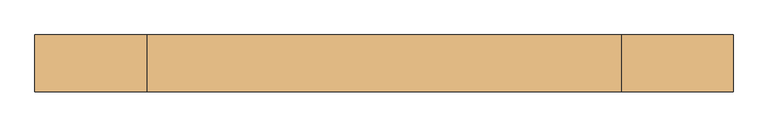
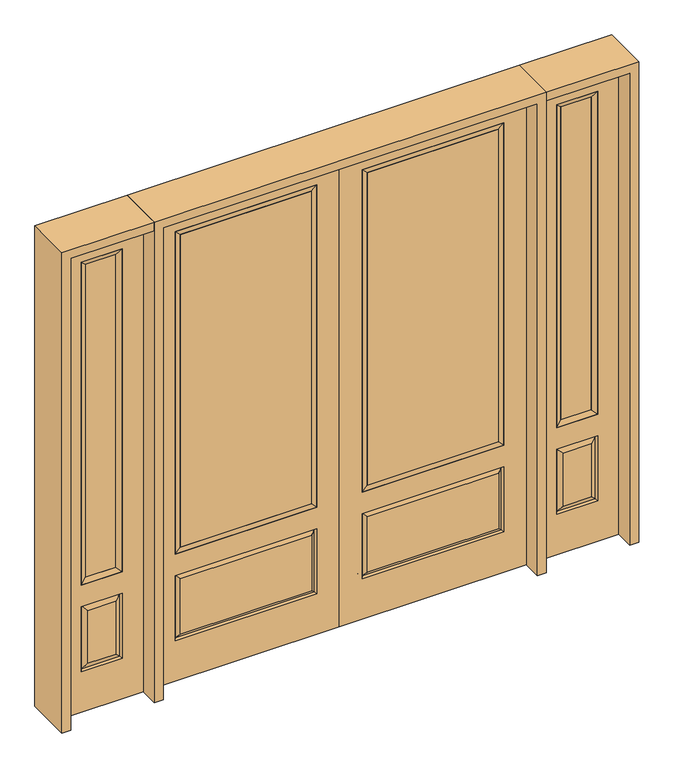
"""IFC4 building model written with IfcOpenShell, lengths in millimetres: door geometry."""

from ifc_helpers import new_model, si_unit, frame, origin, place, context, project, spatial, polyline, outline, extrude, faceted_brep, source, transform, mapped, element, save


def door_46538cef(model_context):
    return source(origin(), model_context, "Body", "SolidModel", [
        extrude(outline(polyline([(136.525, -20.32), (136.525, 5.08), (777.875, 5.08), (777.875, -20.32), (136.525, -20.32)])), frame((0.0, 0.0, 682.498), z_axis=(0.0, 0.0, 1.0), x_axis=(1.0, 0.0, 0.0)), (0.0, 0.0, 1.0), 1616.202),
        faceted_brep([(796.1661499, -12.7912373, 216.6588501), (778.66875, -22.225, 234.15625), (135.73125, -22.225, 234.15625), (118.2338501, -12.7912373, 216.6588501), (111.125, -22.225, 209.55), (803.275, -22.225, 209.55), (803.275, -22.225, 546.1), (796.1661499, -12.7912373, 538.9911499), (0.0, -22.225, 2438.4), (0.0, -22.225, 0.0), (914.4, -22.225, 0.0), (914.4, -22.225, 2438.4), (111.125, -22.225, 546.1), (111.125, -22.225, 2324.1), (803.275, -22.225, 2324.1), (803.275, -22.225, 657.098), (111.125, -22.225, 657.098), (778.66875, -22.225, 521.49375), (135.73125, -22.225, 521.49375), (118.2338501, -12.7912373, 538.9911499), (914.4, 22.225, 0.0), (914.4, 22.225, 2438.4), (0.0, 22.225, 0.0), (0.0, 22.225, 2438.4), (111.125, 22.225, 657.098), (111.125, 22.225, 2324.1), (803.275, 22.225, 657.098), (803.275, 22.225, 2324.1), (135.73125, 22.225, 234.15625), (135.73125, 22.225, 521.49375), (778.66875, 22.225, 521.49375), (778.66875, 22.225, 234.15625), (803.275, 22.225, 209.55), (803.275, 22.225, 546.1), (111.125, 22.225, 546.1), (111.125, 22.225, 209.55), (118.2338501, 12.7912373, 216.6588501), (796.1661499, 12.7912373, 216.6588501), (118.2338501, 12.7912373, 538.9911499), (796.1661499, 12.7912373, 538.9911499)], [[[0, 1, 2, 3]], [[3, 4, 5, 0]], [[5, 6, 7, 0]], [[8, 9, 10, 11], [4, 12, 6, 5], [13, 14, 15, 16]], [[1, 17, 18, 2]], [[3, 19, 12, 4]], [[2, 18, 19, 3]], [[0, 7, 17, 1]], [[6, 12, 19, 7]], [[7, 19, 18, 17]], [[10, 20, 21, 11]], [[9, 22, 20, 10]], [[8, 23, 22, 9]], [[16, 24, 25, 13]], [[15, 26, 24, 16]], [[14, 27, 26, 15]], [[28, 29, 30, 31]], [[23, 21, 20, 22], [25, 24, 26, 27], [32, 33, 34, 35]], [[32, 35, 36, 37]], [[35, 34, 38, 36]], [[39, 38, 34, 33]], [[37, 39, 33, 32]], [[36, 28, 31, 37]], [[31, 30, 39, 37]], [[30, 29, 38, 39]], [[36, 38, 29, 28]], [[11, 21, 23, 8]], [[13, 25, 27, 14]]]),
        faceted_brep([(803.275, -22.225, 2324.1), (803.275, -22.225, 657.098), (803.275, 22.225, 657.098), (803.275, 22.225, 2324.1), (111.125, -22.225, 657.098), (111.125, 22.225, 657.098), (136.525, 5.08, 682.498), (777.875, 5.08, 682.498), (111.125, -22.225, 2324.1), (111.125, 22.225, 2324.1), (777.875, -20.32, 682.498), (136.525, -20.32, 682.498), (777.875, -20.32, 2298.7), (136.525, -20.32, 2298.7), (777.875, 5.08, 2298.7), (136.525, 5.08, 2298.7)], [[[0, 1, 2, 3]], [[1, 4, 5, 2]], [[2, 5, 6, 7]], [[4, 8, 9, 5]], [[10, 11, 4, 1]], [[12, 10, 1, 0]], [[11, 13, 8, 4]], [[7, 6, 11, 10]], [[14, 7, 10, 12]], [[6, 15, 13, 11]], [[3, 2, 7, 14]], [[5, 9, 15, 6]], [[8, 0, 3, 9]], [[13, 12, 0, 8]], [[15, 14, 12, 13]], [[9, 3, 14, 15]]]),
        faceted_brep([(958.85, -22.225, 0.0), (1365.25, -22.225, 0.0), (1365.25, -22.225, 2438.4), (958.85, -22.225, 2438.4), (1262.38, -22.225, 2325.624), (1262.38, -22.225, 657.098), (1061.72, -22.225, 657.098), (1061.72, -22.225, 2325.624), (1262.38, -22.225, 209.55), (1061.72, -22.225, 209.55), (1061.72, -22.225, 546.1), (1262.38, -22.225, 546.1), (1093.4351001, -22.225, 241.2651001), (1230.6648999, -22.225, 241.2651001), (1230.6648999, -22.225, 514.3848999), (1093.4351001, -22.225, 514.3848999), (958.85, 22.225, 0.0), (958.85, 22.225, 2438.4), (1365.25, 22.225, 2438.4), (1365.25, 22.225, 0.0), (1262.38, 22.225, 2325.624), (1061.72, 22.225, 2325.624), (1061.72, 22.225, 657.098), (1262.38, 22.225, 657.098), (1061.72, 22.225, 209.55), (1262.38, 22.225, 209.55), (1262.38, 22.225, 546.1), (1061.72, 22.225, 546.1), (1230.6648999, 22.225, 241.2651001), (1093.4351001, 22.225, 241.2651001), (1093.4351001, 22.225, 514.3848999), (1230.6648999, 22.225, 514.3848999), (1255.2711499, 12.7912373, 216.6588501), (1068.8288501, 12.7912373, 216.6588501), (1068.8288501, 12.7912373, 538.9911499), (1255.2711499, 12.7912373, 538.9911499), (1068.8288501, -12.7912373, 216.6588501), (1255.2711499, -12.7912373, 216.6588501), (1068.8288501, -12.7912373, 538.9911499), (1255.2711499, -12.7912373, 538.9911499)], [[[0, 1, 2, 3], [4, 5, 6, 7], [8, 9, 10, 11]], [[12, 13, 14, 15]], [[16, 17, 18, 19], [20, 21, 22, 23], [24, 25, 26, 27]], [[28, 29, 30, 31]], [[1, 0, 16, 19]], [[2, 1, 19, 18]], [[3, 2, 18, 17]], [[0, 3, 17, 16]], [[5, 4, 20, 23]], [[6, 5, 23, 22]], [[7, 6, 22, 21]], [[4, 7, 21, 20]], [[32, 33, 29, 28]], [[33, 32, 25, 24]], [[29, 33, 34, 30]], [[33, 24, 27, 34]], [[30, 34, 35, 31]], [[34, 27, 26, 35]], [[32, 28, 31, 35]], [[25, 32, 35, 26]], [[12, 36, 37, 13]], [[37, 36, 9, 8]], [[36, 12, 15, 38]], [[9, 36, 38, 10]], [[38, 15, 14, 39]], [[10, 38, 39, 11]], [[13, 37, 39, 14]], [[37, 8, 11, 39]]]),
        faceted_brep([(1061.72, 22.225, 2325.624), (1061.72, -22.225, 2325.624), (1262.38, -22.225, 2325.624), (1262.38, 22.225, 2325.624), (1087.12, 12.7, 2300.224), (1236.98, 12.7, 2300.224), (1087.12, -12.7, 2300.224), (1236.98, -12.7, 2300.224), (1262.38, -22.225, 657.098), (1262.38, 22.225, 657.098), (1236.98, 12.7, 682.498), (1236.98, -12.7, 682.498), (1061.72, -22.225, 657.098), (1061.72, 22.225, 657.098), (1087.12, 12.7, 682.498), (1087.12, -12.7, 682.498)], [[[0, 1, 2, 3]], [[4, 0, 3, 5]], [[6, 4, 5, 7]], [[1, 6, 7, 2]], [[3, 2, 8, 9]], [[5, 3, 9, 10]], [[7, 5, 10, 11]], [[2, 7, 11, 8]], [[9, 8, 12, 13]], [[10, 9, 13, 14]], [[11, 10, 14, 15]], [[8, 11, 15, 12]], [[13, 12, 1, 0]], [[14, 13, 0, 4]], [[15, 14, 4, 6]], [[12, 15, 6, 1]]]),
        extrude(outline(polyline([(1236.98, -12.7), (1087.12, -12.7), (1087.12, 12.7), (1236.98, 12.7), (1236.98, -12.7)])), frame((0.0, 0.0, 682.498), z_axis=(0.0, 0.0, 1.0), x_axis=(1.0, 0.0, 0.0)), (0.0, 0.0, 1.0), 1617.726),
        faceted_brep([(-1365.25, -22.225, 0.0), (-958.85, -22.225, 0.0), (-958.85, -22.225, 2438.4), (-1365.25, -22.225, 2438.4), (-1061.72, -22.225, 2325.624), (-1061.72, -22.225, 657.098), (-1262.38, -22.225, 657.098), (-1262.38, -22.225, 2325.624), (-1061.72, -22.225, 209.55), (-1262.38, -22.225, 209.55), (-1262.38, -22.225, 546.1), (-1061.72, -22.225, 546.1), (-1230.6648999, -22.225, 241.2651001), (-1093.4351001, -22.225, 241.2651001), (-1093.4351001, -22.225, 514.3848999), (-1230.6648999, -22.225, 514.3848999), (-1365.25, 22.225, 0.0), (-1365.25, 22.225, 2438.4), (-958.85, 22.225, 2438.4), (-958.85, 22.225, 0.0), (-1061.72, 22.225, 2325.624), (-1262.38, 22.225, 2325.624), (-1262.38, 22.225, 657.098), (-1061.72, 22.225, 657.098), (-1262.38, 22.225, 209.55), (-1061.72, 22.225, 209.55), (-1061.72, 22.225, 546.1), (-1262.38, 22.225, 546.1), (-1093.4351001, 22.225, 241.2651001), (-1230.6648999, 22.225, 241.2651001), (-1230.6648999, 22.225, 514.3848999), (-1093.4351001, 22.225, 514.3848999), (-1068.8288501, 12.7912373, 216.6588501), (-1255.2711499, 12.7912373, 216.6588501), (-1255.2711499, 12.7912373, 538.9911499), (-1068.8288501, 12.7912373, 538.9911499), (-1255.2711499, -12.7912373, 216.6588501), (-1068.8288501, -12.7912373, 216.6588501), (-1255.2711499, -12.7912373, 538.9911499), (-1068.8288501, -12.7912373, 538.9911499)], [[[0, 1, 2, 3], [4, 5, 6, 7], [8, 9, 10, 11]], [[12, 13, 14, 15]], [[16, 17, 18, 19], [20, 21, 22, 23], [24, 25, 26, 27]], [[28, 29, 30, 31]], [[1, 0, 16, 19]], [[2, 1, 19, 18]], [[3, 2, 18, 17]], [[0, 3, 17, 16]], [[5, 4, 20, 23]], [[6, 5, 23, 22]], [[7, 6, 22, 21]], [[4, 7, 21, 20]], [[32, 33, 29, 28]], [[33, 32, 25, 24]], [[29, 33, 34, 30]], [[33, 24, 27, 34]], [[30, 34, 35, 31]], [[34, 27, 26, 35]], [[32, 28, 31, 35]], [[25, 32, 35, 26]], [[12, 36, 37, 13]], [[37, 36, 9, 8]], [[36, 12, 15, 38]], [[9, 36, 38, 10]], [[38, 15, 14, 39]], [[10, 38, 39, 11]], [[13, 37, 39, 14]], [[37, 8, 11, 39]]]),
        faceted_brep([(-1262.38, 22.225, 2325.624), (-1262.38, -22.225, 2325.624), (-1061.72, -22.225, 2325.624), (-1061.72, 22.225, 2325.624), (-1236.98, 12.7, 2300.224), (-1087.12, 12.7, 2300.224), (-1236.98, -12.7, 2300.224), (-1087.12, -12.7, 2300.224), (-1061.72, -22.225, 657.098), (-1061.72, 22.225, 657.098), (-1087.12, 12.7, 682.498), (-1087.12, -12.7, 682.498), (-1262.38, -22.225, 657.098), (-1262.38, 22.225, 657.098), (-1236.98, 12.7, 682.498), (-1236.98, -12.7, 682.498)], [[[0, 1, 2, 3]], [[4, 0, 3, 5]], [[6, 4, 5, 7]], [[1, 6, 7, 2]], [[3, 2, 8, 9]], [[5, 3, 9, 10]], [[7, 5, 10, 11]], [[2, 7, 11, 8]], [[9, 8, 12, 13]], [[10, 9, 13, 14]], [[11, 10, 14, 15]], [[8, 11, 15, 12]], [[13, 12, 1, 0]], [[14, 13, 0, 4]], [[15, 14, 4, 6]], [[12, 15, 6, 1]]]),
        extrude(outline(polyline([(-1087.12, -12.7), (-1236.98, -12.7), (-1236.98, 12.7), (-1087.12, 12.7), (-1087.12, -12.7)])), frame((0.0, 0.0, 682.498), z_axis=(0.0, 0.0, 1.0), x_axis=(1.0, 0.0, 0.0)), (0.0, 0.0, 1.0), 1617.726),
        extrude(outline(polyline([(-136.525, -20.32), (-777.875, -20.32), (-777.875, 5.08), (-136.525, 5.08), (-136.525, -20.32)])), frame((0.0, 0.0, 682.498), z_axis=(0.0, 0.0, 1.0), x_axis=(1.0, 0.0, 0.0)), (0.0, 0.0, 1.0), 1616.202),
        faceted_brep([(-796.1661499, -12.7912373, 216.6588501), (-118.2338501, -12.7912373, 216.6588501), (-135.73125, -22.225, 234.15625), (-778.66875, -22.225, 234.15625), (-803.275, -22.225, 209.55), (-111.125, -22.225, 209.55), (-796.1661499, -12.7912373, 538.9911499), (-803.275, -22.225, 546.1), (-135.73125, -22.225, 521.49375), (-778.66875, -22.225, 521.49375), (0.0, -22.225, 2438.4), (-914.4, -22.225, 2438.4), (-914.4, -22.225, 0.0), (0.0, -22.225, 0.0), (-111.125, -22.225, 546.1), (-111.125, -22.225, 2324.1), (-111.125, -22.225, 657.098), (-803.275, -22.225, 657.098), (-803.275, -22.225, 2324.1), (-118.2338501, -12.7912373, 538.9911499), (-914.4, 22.225, 2438.4), (-914.4, 22.225, 0.0), (0.0, 22.225, 0.0), (0.0, 22.225, 2438.4), (-111.125, 22.225, 2324.1), (-111.125, 22.225, 657.098), (-803.275, 22.225, 657.098), (-803.275, 22.225, 2324.1), (-803.275, 22.225, 209.55), (-111.125, 22.225, 209.55), (-111.125, 22.225, 546.1), (-803.275, 22.225, 546.1), (-135.73125, 22.225, 234.15625), (-778.66875, 22.225, 234.15625), (-778.66875, 22.225, 521.49375), (-135.73125, 22.225, 521.49375), (-796.1661499, 12.7912373, 216.6588501), (-118.2338501, 12.7912373, 216.6588501), (-118.2338501, 12.7912373, 538.9911499), (-796.1661499, 12.7912373, 538.9911499)], [[[0, 1, 2, 3]], [[1, 0, 4, 5]], [[4, 0, 6, 7]], [[3, 2, 8, 9]], [[10, 11, 12, 13], [5, 4, 7, 14], [15, 16, 17, 18]], [[1, 5, 14, 19]], [[2, 1, 19, 8]], [[0, 3, 9, 6]], [[7, 6, 19, 14]], [[6, 9, 8, 19]], [[12, 11, 20, 21]], [[13, 12, 21, 22]], [[10, 13, 22, 23]], [[16, 15, 24, 25]], [[17, 16, 25, 26]], [[18, 17, 26, 27]], [[23, 22, 21, 20], [28, 29, 30, 31], [24, 27, 26, 25]], [[32, 33, 34, 35]], [[28, 36, 37, 29]], [[29, 37, 38, 30]], [[39, 31, 30, 38]], [[36, 28, 31, 39]], [[37, 36, 33, 32]], [[33, 36, 39, 34]], [[34, 39, 38, 35]], [[37, 32, 35, 38]], [[11, 10, 23, 20]], [[15, 18, 27, 24]]]),
        faceted_brep([(-803.275, -22.225, 2324.1), (-803.275, 22.225, 2324.1), (-803.275, 22.225, 657.098), (-803.275, -22.225, 657.098), (-111.125, 22.225, 657.098), (-111.125, -22.225, 657.098), (-777.875, 5.08, 682.498), (-136.525, 5.08, 682.498), (-111.125, 22.225, 2324.1), (-111.125, -22.225, 2324.1), (-777.875, -20.32, 682.498), (-136.525, -20.32, 682.498), (-777.875, -20.32, 2298.7), (-136.525, -20.32, 2298.7), (-777.875, 5.08, 2298.7), (-136.525, 5.08, 2298.7)], [[[0, 1, 2, 3]], [[3, 2, 4, 5]], [[2, 6, 7, 4]], [[5, 4, 8, 9]], [[10, 3, 5, 11]], [[12, 0, 3, 10]], [[11, 5, 9, 13]], [[6, 10, 11, 7]], [[14, 12, 10, 6]], [[7, 11, 13, 15]], [[1, 14, 6, 2]], [[4, 7, 15, 8]], [[9, 8, 1, 0]], [[13, 9, 0, 12]], [[15, 13, 12, 14]], [[8, 15, 14, 1]]]),
        extrude(outline(polyline([(2438.4, -958.85), (2482.85, -958.85), (2482.85, -1409.7), (0.0, -1409.7), (0.0, -1365.25), (2438.4, -1365.25), (2438.4, -958.85)])), frame((0.0, -114.3, 0.0), z_axis=(0.0, 1.0, 0.0), x_axis=(0.0, 0.0, 1.0)), (0.0, 0.0, 1.0), 228.6),
        extrude(outline(polyline([(2482.85, -958.85), (0.0, -958.85), (0.0, -914.4), (2438.4, -914.4), (2438.4, 914.4), (0.0, 914.4), (0.0, 958.85), (2482.85, 958.85), (2482.85, -958.85)])), frame((0.0, -114.3, 0.0), z_axis=(0.0, 1.0, 0.0), x_axis=(0.0, 0.0, 1.0)), (0.0, 0.0, 1.0), 228.6),
        extrude(outline(polyline([(0.0, 1365.25), (0.0, 1409.7), (2482.85, 1409.7), (2482.85, 958.85), (2438.4, 958.85), (2438.4, 1365.25), (0.0, 1365.25)])), frame((0.0, -114.3, 0.0), z_axis=(0.0, 1.0, 0.0), x_axis=(0.0, 0.0, 1.0)), (0.0, 0.0, 1.0), 228.6),
    ])


if __name__ == "__main__":
    model = new_model("IFC4")
    model_context = context("Model", 3, world=origin())
    ifc_project = project(units=[si_unit("LENGTHUNIT", "METRE", prefix="MILLI")], contexts=[model_context])
    site = spatial("IfcSite", under=ifc_project)
    building = spatial("IfcBuilding", under=site)
    placement = place(None, origin())
    door_shape = door_46538cef(model_context)
    element("IfcDoor", 1, at=placement, inside=building, context=model_context, shape_type="MappedRepresentation", body=[
        mapped(door_shape, transform((0.0, 0.0, 0.0), x_axis=(1.0, 0.0, 0.0), y_axis=(0.0, 1.0, 0.0), z_axis=(0.0, 0.0, 1.0))),
    ])
    save(model, "model.ifc")
